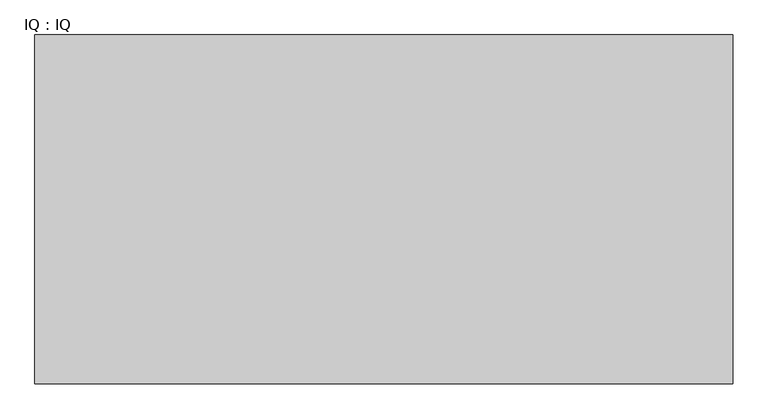
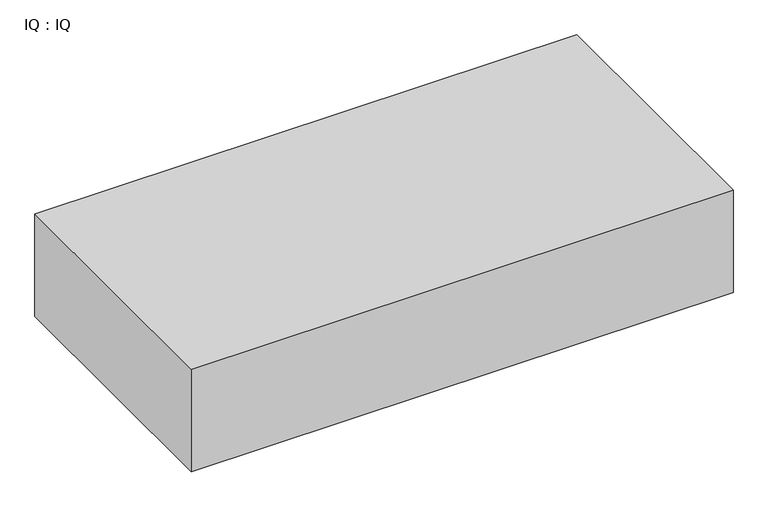
"""IFC4 building model written with IfcOpenShell, lengths in millimetres: proxy geometry, IQ : IQ."""

from ifc_helpers import new_model, si_unit, frame, origin, place, context, project, spatial, polyline, outline, extrude, source, transform, mapped, element, save


def iq_iq_285a5eb4(model_context):
    return source(origin(), model_context, "Body", "SweptSolid", [
        extrude(outline(polyline([(1000.0, 500.0), (1000.0, 0.0), (0.0, 0.0), (0.0, 500.0), (1000.0, 500.0)])), frame((0.0, 0.0, 600.0), z_axis=(0.0, 0.0, 1.0), x_axis=(1.0, 0.0, 0.0)), (0.0, 0.0, 1.0), 200.0),
    ])


if __name__ == "__main__":
    model = new_model("IFC4")
    model_context = context("Model", 3, world=origin())
    ifc_project = project(units=[si_unit("LENGTHUNIT", "METRE", prefix="MILLI")], contexts=[model_context])
    site = spatial("IfcSite", under=ifc_project)
    building = spatial("IfcBuilding", under=site)
    placement = place(None, origin())
    iq_iq_shape = iq_iq_285a5eb4(model_context)
    element("IfcBuildingElementProxy", 1, Name="IQ : IQ", ObjectType="IQ : IQ", at=placement, inside=building, context=model_context, shape_type="MappedRepresentation", body=[
        mapped(iq_iq_shape, transform((0.0, 0.0, 0.0), x_axis=(1.0, 0.0, 0.0), y_axis=(0.0, 1.0, 0.0), z_axis=(0.0, 0.0, 1.0))),
    ])
    save(model, "model.ifc")
